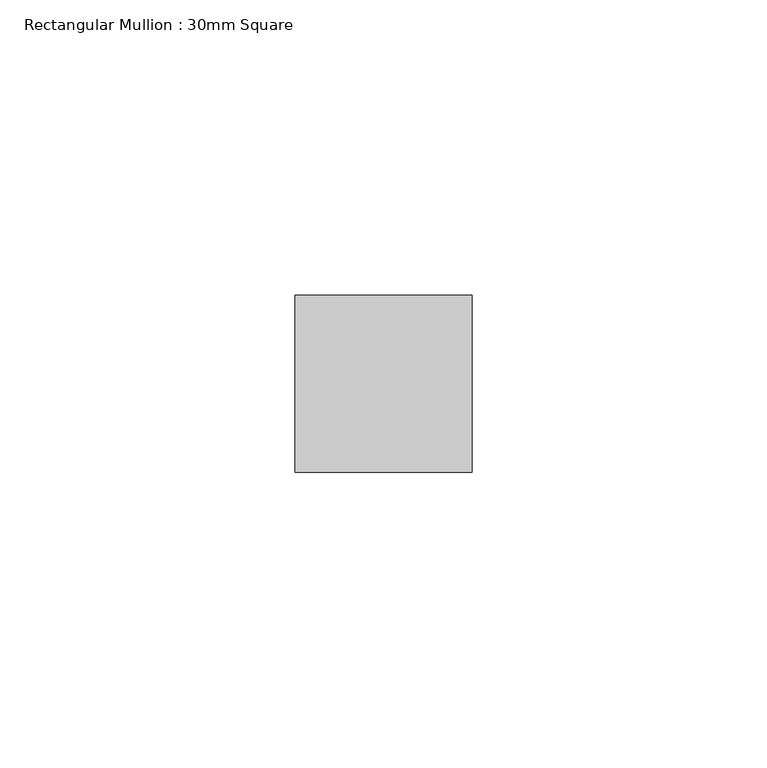
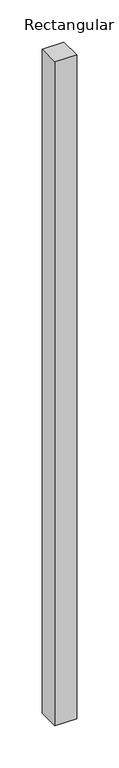
"""IFC4 building model written with IfcOpenShell, lengths in millimetres: member geometry, Rectangular Mullion : 30mm Square."""

from ifc_helpers import new_model, si_unit, frame, origin, place, context, project, spatial, polyline, outline, extrude, source, transform, mapped, element, save


def rectangular_mullion_30mm_square_f736648c(model_context):
    return source(origin(), model_context, "Body", "SweptSolid", [
        extrude(outline(polyline([(0.0, 15.0), (0.0, -15.0), (-30.0, -15.0), (-30.0, 15.0), (0.0, 15.0)])), frame((0.0, 0.0, -963.4512067), z_axis=(0.0, 0.0, 1.0), x_axis=(1.0, 0.0, 0.0)), (0.0, 0.0, 1.0), 963.4512067),
    ])


if __name__ == "__main__":
    model = new_model("IFC4")
    model_context = context("Model", 3, world=origin())
    ifc_project = project(units=[si_unit("LENGTHUNIT", "METRE", prefix="MILLI")], contexts=[model_context])
    site = spatial("IfcSite", under=ifc_project)
    building = spatial("IfcBuilding", under=site)
    placement = place(None, origin())
    rectangular_mullion_30mm_square_shape = rectangular_mullion_30mm_square_f736648c(model_context)
    element("IfcMember", 1, ObjectType="Rectangular Mullion : 30mm Square", at=placement, inside=building, context=model_context, shape_type="MappedRepresentation", body=[
        mapped(rectangular_mullion_30mm_square_shape, transform((0.0, 0.0, 0.0), x_axis=(1.0, 0.0, 0.0), y_axis=(0.0, 1.0, 0.0), z_axis=(0.0, 0.0, 1.0))),
    ])
    save(model, "model.ifc")
